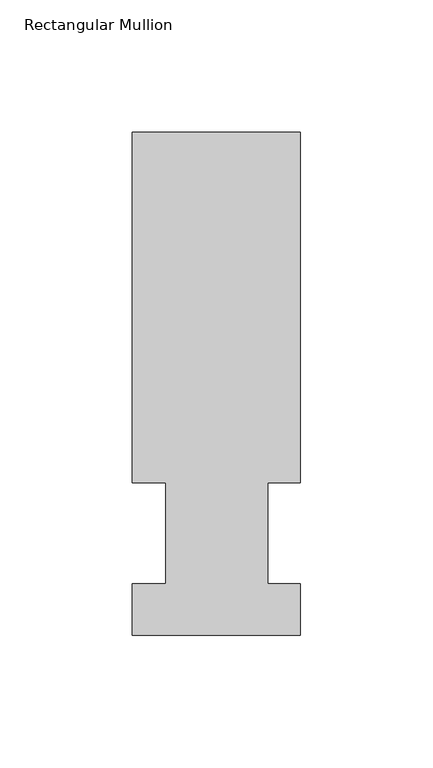
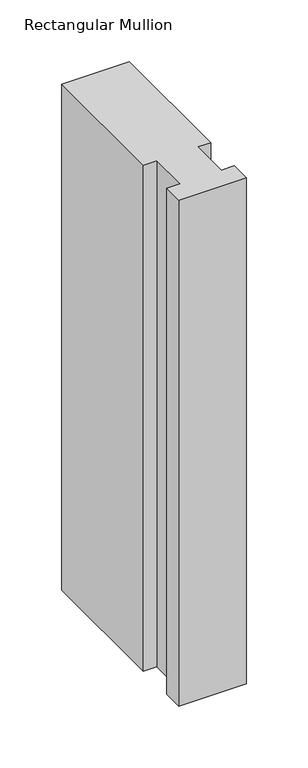
"""IFC4 building model written with IfcOpenShell, lengths in millimetres: member geometry, Rectangular Mullion."""

from ifc_helpers import new_model, si_unit, frame, origin, place, context, project, spatial, polyline, outline, extrude, source, transform, mapped, element, save


def rectangular_mullion_31581722(model_context):
    return source(origin(), model_context, "Body", "SweptSolid", [
        extrude(outline(polyline([(-63.5, 57.6460937), (-63.5, 190.0816937), (0.0, 190.0816937), (0.0, 57.6460937), (-12.3418395, 57.6460937), (-12.3418395, 19.5460937), (0.0, 19.5460937), (0.0, 0.0134938), (-63.5, 0.0134938), (-63.5, 19.5460937), (-50.8, 19.5460937), (-50.8, 57.6460937), (-63.5, 57.6460937)])), frame((0.0, 0.0, -501.65), z_axis=(0.0, 0.0, 1.0), x_axis=(1.0, 0.0, 0.0)), (0.0, 0.0, 1.0), 501.65),
    ])


if __name__ == "__main__":
    model = new_model("IFC4")
    model_context = context("Model", 3, world=origin())
    ifc_project = project(units=[si_unit("LENGTHUNIT", "METRE", prefix="MILLI")], contexts=[model_context])
    site = spatial("IfcSite", under=ifc_project)
    building = spatial("IfcBuilding", under=site)
    placement = place(None, origin())
    rectangular_mullion_shape = rectangular_mullion_31581722(model_context)
    element("IfcMember", 1, ObjectType="Rectangular Mullion", at=placement, inside=building, context=model_context, shape_type="MappedRepresentation", body=[
        mapped(rectangular_mullion_shape, transform((0.0, 0.0, 0.0), x_axis=(1.0, 0.0, 0.0), y_axis=(0.0, 1.0, 0.0), z_axis=(0.0, 0.0, 1.0))),
    ])
    save(model, "model.ifc")
